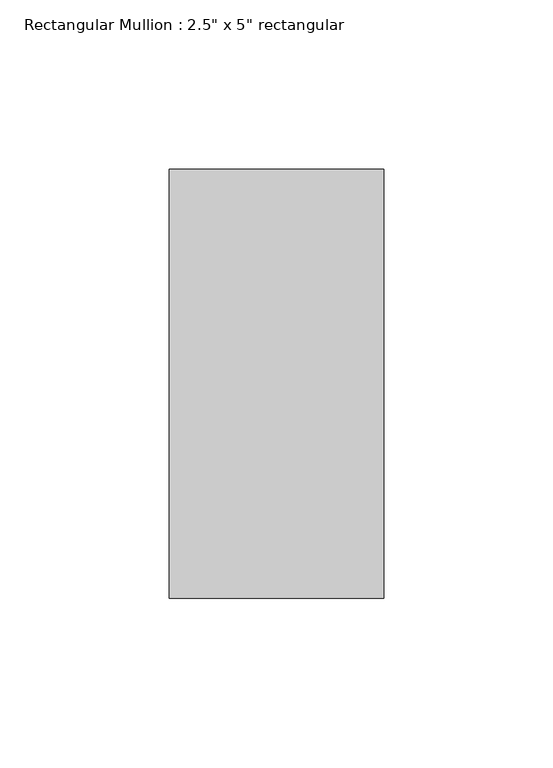
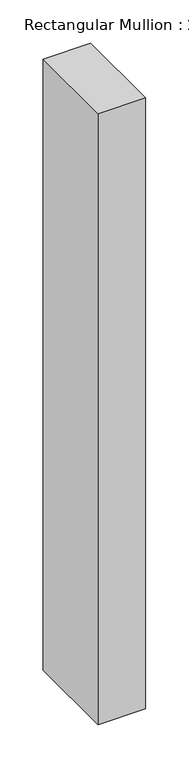
"""IFC4 building model written with IfcOpenShell, lengths in millimetres: member geometry."""

from ifc_helpers import new_model, si_unit, frame, origin, place, context, project, spatial, polyline, outline, extrude, source, transform, mapped, element, save


def member_7ae31fd6(model_context):
    return source(origin(), model_context, "Body", "SweptSolid", [
        extrude(outline(polyline([(31.75, 63.5), (31.75, -63.5), (-31.75, -63.5), (-31.75, 63.5), (31.75, 63.5)])), frame((0.0, 0.0, -861.7857143), z_axis=(0.0, 0.0, 1.0), x_axis=(1.0, 0.0, 0.0)), (0.0, 0.0, 1.0), 861.7857143),
    ])


if __name__ == "__main__":
    model = new_model("IFC4")
    model_context = context("Model", 3, world=origin())
    ifc_project = project(units=[si_unit("LENGTHUNIT", "METRE", prefix="MILLI")], contexts=[model_context])
    site = spatial("IfcSite", under=ifc_project)
    building = spatial("IfcBuilding", under=site)
    placement = place(None, origin())
    member_shape = member_7ae31fd6(model_context)
    element("IfcMember", 1, ObjectType="Rectangular Mullion : 2.5\" x 5\" rectangular", at=placement, inside=building, context=model_context, shape_type="MappedRepresentation", body=[
        mapped(member_shape, transform((0.0, 0.0, 0.0), x_axis=(1.0, 0.0, 0.0), y_axis=(0.0, 1.0, 0.0), z_axis=(0.0, 0.0, 1.0))),
    ])
    save(model, "model.ifc")
